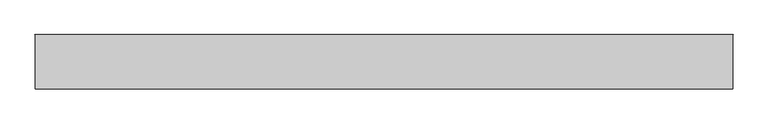
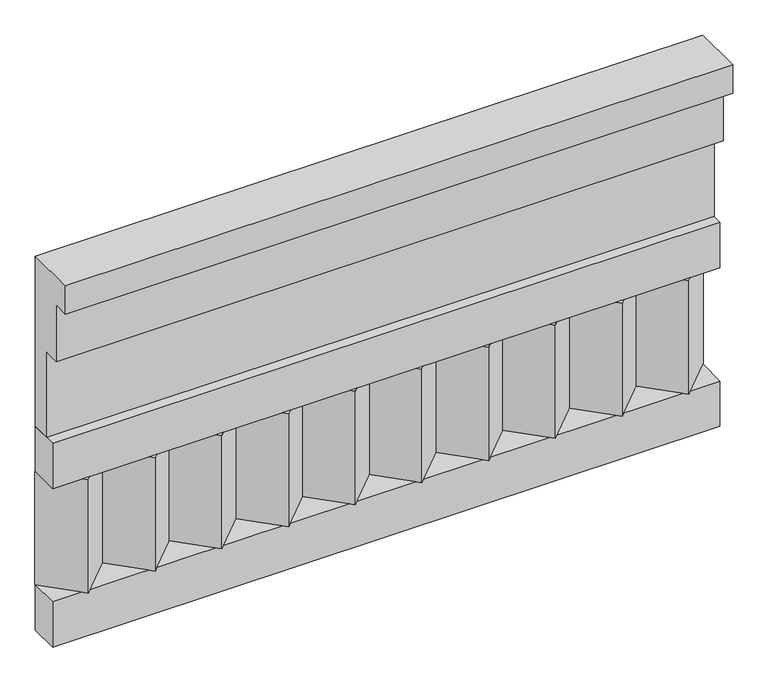
"""IFC4 building model written with IfcOpenShell, lengths in millimetres: railing geometry."""

from ifc_helpers import new_model, si_unit, frame, origin, place, context, project, spatial, polyline, outline, extrude, source, transform, mapped, element, save


def railing_49e6fa11(model_context):
    return source(origin(), model_context, "Body", "SweptSolid", [
        extrude(outline(polyline([(-16816.8920513, 24530.0), (-16816.8920513, 24080.0), (-16866.8920513, 24080.0), (-16866.8920513, 24305.0), (-16906.8920513, 24305.0), (-16906.8920513, 24455.0), (-16946.8920513, 24455.0), (-16946.8920513, 24530.0), (-16816.8920513, 24530.0)])), frame((5490.0112841, 0.0, 0.0), z_axis=(1.0, 0.0, 0.0), x_axis=(0.0, 1.0, 0.0)), (0.0, 0.0, 1.0), 1670.0),
        extrude(outline(polyline([(5490.0112841, -16891.8920513), (5490.0112841, -16816.8920513), (7160.0112841, -16816.8920513), (7160.0112841, -16891.8920513), (5490.0112841, -16891.8920513)])), frame((0.0, 0.0, 23960.0), z_axis=(0.0, 0.0, 1.0), x_axis=(1.0, 0.0, 0.0)), (0.0, 0.0, 1.0), 120.0),
        extrude(outline(polyline([(5490.0112841, -16891.8920513), (5490.0112841, -16816.8920513), (7160.0112841, -16816.8920513), (7160.0112841, -16891.8920513), (5490.0112841, -16891.8920513)])), frame((0.0, 0.0, 23540.0), z_axis=(0.0, 0.0, 1.0), x_axis=(1.0, 0.0, 0.0)), (0.0, 0.0, 1.0), 120.0),
        extrude(outline(polyline([(7076.5112841, -16901.7448651), (6991.6584704, -16816.8920513), (7161.3640978, -16816.8920513), (7076.5112841, -16901.7448651)])), frame((0.0, 0.0, 23660.0), z_axis=(0.0, 0.0, 1.0), x_axis=(1.0, 0.0, 0.0)), (0.0, 0.0, 1.0), 300.0),
        extrude(outline(polyline([(6909.5112841, -16901.7448651), (6824.6584704, -16816.8920513), (6994.3640978, -16816.8920513), (6909.5112841, -16901.7448651)])), frame((0.0, 0.0, 23660.0), z_axis=(0.0, 0.0, 1.0), x_axis=(1.0, 0.0, 0.0)), (0.0, 0.0, 1.0), 300.0),
        extrude(outline(polyline([(6742.5112841, -16901.7448651), (6657.6584704, -16816.8920513), (6827.3640978, -16816.8920513), (6742.5112841, -16901.7448651)])), frame((0.0, 0.0, 23660.0), z_axis=(0.0, 0.0, 1.0), x_axis=(1.0, 0.0, 0.0)), (0.0, 0.0, 1.0), 300.0),
        extrude(outline(polyline([(6575.5112841, -16901.7448651), (6490.6584704, -16816.8920513), (6660.3640978, -16816.8920513), (6575.5112841, -16901.7448651)])), frame((0.0, 0.0, 23660.0), z_axis=(0.0, 0.0, 1.0), x_axis=(1.0, 0.0, 0.0)), (0.0, 0.0, 1.0), 300.0),
        extrude(outline(polyline([(6408.5112841, -16901.7448651), (6323.6584704, -16816.8920513), (6493.3640978, -16816.8920513), (6408.5112841, -16901.7448651)])), frame((0.0, 0.0, 23660.0), z_axis=(0.0, 0.0, 1.0), x_axis=(1.0, 0.0, 0.0)), (0.0, 0.0, 1.0), 300.0),
        extrude(outline(polyline([(6241.5112841, -16901.7448651), (6156.6584704, -16816.8920513), (6326.3640978, -16816.8920513), (6241.5112841, -16901.7448651)])), frame((0.0, 0.0, 23660.0), z_axis=(0.0, 0.0, 1.0), x_axis=(1.0, 0.0, 0.0)), (0.0, 0.0, 1.0), 300.0),
        extrude(outline(polyline([(6074.5112841, -16901.7448651), (5989.6584704, -16816.8920513), (6159.3640978, -16816.8920513), (6074.5112841, -16901.7448651)])), frame((0.0, 0.0, 23660.0), z_axis=(0.0, 0.0, 1.0), x_axis=(1.0, 0.0, 0.0)), (0.0, 0.0, 1.0), 300.0),
        extrude(outline(polyline([(5907.5112841, -16901.7448651), (5822.6584704, -16816.8920513), (5992.3640978, -16816.8920513), (5907.5112841, -16901.7448651)])), frame((0.0, 0.0, 23660.0), z_axis=(0.0, 0.0, 1.0), x_axis=(1.0, 0.0, 0.0)), (0.0, 0.0, 1.0), 300.0),
        extrude(outline(polyline([(5740.5112841, -16901.7448651), (5655.6584704, -16816.8920513), (5825.3640978, -16816.8920513), (5740.5112841, -16901.7448651)])), frame((0.0, 0.0, 23660.0), z_axis=(0.0, 0.0, 1.0), x_axis=(1.0, 0.0, 0.0)), (0.0, 0.0, 1.0), 300.0),
        extrude(outline(polyline([(5573.5112841, -16901.7448651), (5488.6584704, -16816.8920513), (5658.3640978, -16816.8920513), (5573.5112841, -16901.7448651)])), frame((0.0, 0.0, 23660.0), z_axis=(0.0, 0.0, 1.0), x_axis=(1.0, 0.0, 0.0)), (0.0, 0.0, 1.0), 300.0),
    ])


if __name__ == "__main__":
    model = new_model("IFC4")
    model_context = context("Model", 3, world=origin())
    ifc_project = project(units=[si_unit("LENGTHUNIT", "METRE", prefix="MILLI")], contexts=[model_context])
    site = spatial("IfcSite", under=ifc_project)
    building = spatial("IfcBuilding", under=site)
    placement = place(None, origin())
    railing_shape = railing_49e6fa11(model_context)
    element("IfcRailing", 1, at=placement, inside=building, context=model_context, shape_type="MappedRepresentation", body=[
        mapped(railing_shape, transform((0.0, 0.0, 0.0), x_axis=(1.0, 0.0, 0.0), y_axis=(0.0, 1.0, 0.0), z_axis=(0.0, 0.0, 1.0))),
    ])
    save(model, "model.ifc")
